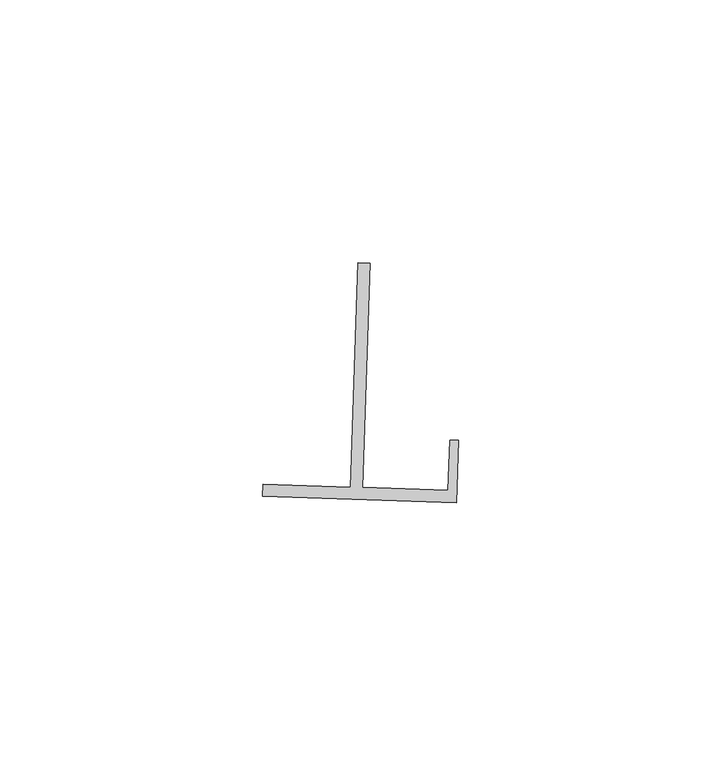
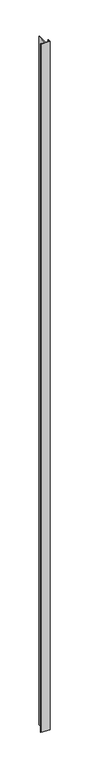
"""IFC4 building model written with IfcOpenShell, lengths in millimetres: proxy geometry."""

from ifc_helpers import new_model, si_unit, frame, origin, place, context, project, spatial, polyline, outline, extrude, source, transform, mapped, element, save


def generic_models_69508f37(model_context):
    return source(origin(), model_context, "Body", "SweptSolid", [
        extrude(outline(polyline([(18040.4543027, -14645.715114), (18042.7403916, -14645.7891312), (18041.3587977, -14688.4609151), (18057.6654684, -14688.9888797), (18057.9738598, -14679.4639295), (18059.5741415, -14679.5157422), (18059.191542, -14691.3266781), (18022.3300323, -14690.1332046), (18022.4040463, -14687.8472127), (18039.0727087, -14688.3868977), (18040.4543027, -14645.715114)])), frame((0.0, 0.0, 73.975708), z_axis=(0.0, 0.0, 1.0), x_axis=(1.0, 0.0, 0.0)), (0.0, 0.0, 1.0), 2959.11),
    ])


if __name__ == "__main__":
    model = new_model("IFC4")
    model_context = context("Model", 3, world=origin())
    ifc_project = project(units=[si_unit("LENGTHUNIT", "METRE", prefix="MILLI")], contexts=[model_context])
    site = spatial("IfcSite", under=ifc_project)
    building = spatial("IfcBuilding", under=site)
    placement = place(None, origin())
    generic_models_shape = generic_models_69508f37(model_context)
    element("IfcBuildingElementProxy", 1, Name="Generic Models", at=placement, inside=building, context=model_context, shape_type="MappedRepresentation", body=[
        mapped(generic_models_shape, transform((0.0, 0.0, 0.0), x_axis=(1.0, 0.0, 0.0), y_axis=(0.0, 1.0, 0.0), z_axis=(0.0, 0.0, 1.0))),
    ])
    save(model, "model.ifc")
